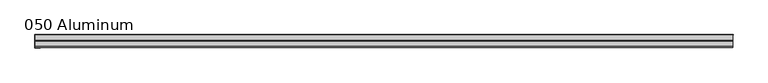
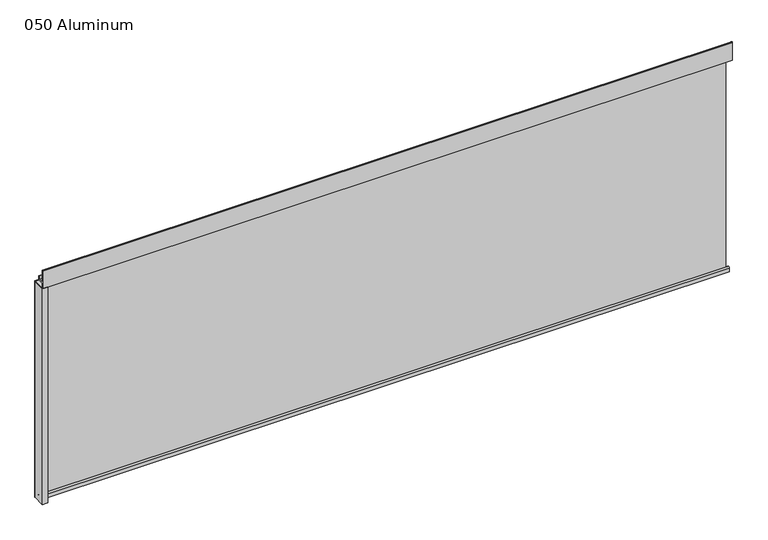
"""IFC4 building model written with IfcOpenShell, lengths in millimetres: plate geometry, 050 Aluminum."""

from ifc_helpers import new_model, si_unit, point, frame, frame_2d, origin, origin_with_axes, place, context, project, spatial, polyline, circle_curve, trimmed, segment, composite_curve, outline, extrude, source, transform, mapped, element, save


def plate_050_aluminum_85742d28(model_context):
    return source(origin(), model_context, "Body", "SweptSolid", [
        extrude(outline(polyline([(-919.48, 2.5660257), (-906.5894994, 2.5660257), (-906.5894994, 1.2699999), (-920.7499999, 1.2699999), (-920.7499999, 34.7980001), (-919.48, 34.7980001), (-919.48, 2.5660257)])), origin_with_axes(), (0.0, 0.0, 1.0), 608.33),
        extrude(outline(composite_curve([segment(trimmed(circle_curve(frame_2d((19.8514743, 13.124237)), 3.175), [point((16.6765477, 13.1458337))], [point((23.0264743, 13.124237))], False, "CARTESIAN"), True, "CONTINUOUS"), segment(polyline([(23.0264743, 13.124237), (23.0264743, 1.2693678), (34.7980002, 1.2693678), (34.7980002, 0.0), (21.7564743, 0.0), (21.7564743, 13.124237)]), True, "CONTINUOUS"), segment(trimmed(circle_curve(frame_2d((19.8514743, 13.124237)), 1.905), [point((21.7564743, 13.124237))], [point((17.9464915, 13.1323356))], True, "CARTESIAN"), True, "CONTINUOUS"), segment(polyline([(17.9464915, 13.1323356), (17.9464915, 2.786437), (16.6765477, 2.786437), (16.6765477, 13.1458337)]), True, "CONTINUOUS")], self_intersect=False)), frame((-919.48, 0.0, 0.0), z_axis=(1.0, 0.0, 0.0), x_axis=(0.0, 1.0, 0.0)), (0.0, 0.0, 1.0), 1838.96),
        extrude(outline(composite_curve([segment(trimmed(circle_curve(frame_2d((3.7084742, 656.7932001)), 1.6509999), [point((2.0574743, 656.7932001))], [point((5.3594742, 656.7932001))], False, "CARTESIAN"), True, "CONTINUOUS"), segment(polyline([(5.3594742, 656.7932001), (5.3594742, 623.57), (19.2164743, 623.57), (19.2164743, 633.6538), (20.4864742, 633.6538), (20.4864742, 622.3), (4.0894742, 622.3), (4.0894742, 656.7932001)]), True, "CONTINUOUS"), segment(trimmed(circle_curve(frame_2d((3.7084742, 656.7932001)), 0.3809999), [point((4.0894742, 656.7932001))], [point((3.3274743, 656.7932001))], True, "CARTESIAN"), True, "CONTINUOUS"), segment(polyline([(3.3274743, 656.7932001), (3.3274743, 609.6000001), (34.7980002, 609.6000001), (34.7980002, 608.33), (2.0574743, 608.33), (2.0574743, 656.7932001)]), True, "CONTINUOUS")], self_intersect=False)), frame((-919.48, 0.0, 0.0), z_axis=(1.0, 0.0, 0.0), x_axis=(0.0, 1.0, 0.0)), (0.0, 0.0, 1.0), 1838.96),
        extrude(outline(polyline([(-920.75, 36.068), (920.75, 36.068), (920.75, 34.7980001), (-920.75, 34.7980001), (-920.75, 36.068)])), origin_with_axes(), (0.0, 0.0, 1.0), 609.6),
    ])


if __name__ == "__main__":
    model = new_model("IFC4")
    model_context = context("Model", 3, world=origin())
    ifc_project = project(units=[si_unit("LENGTHUNIT", "METRE", prefix="MILLI")], contexts=[model_context])
    site = spatial("IfcSite", under=ifc_project)
    building = spatial("IfcBuilding", under=site)
    placement = place(None, origin())
    plate_050_aluminum_shape = plate_050_aluminum_85742d28(model_context)
    element("IfcPlate", 1, ObjectType="050 Aluminum", at=placement, inside=building, context=model_context, shape_type="MappedRepresentation", body=[
        mapped(plate_050_aluminum_shape, transform((0.0, 0.0, 0.0), x_axis=(1.0, 0.0, 0.0), y_axis=(0.0, 1.0, 0.0), z_axis=(0.0, 0.0, 1.0))),
    ])
    save(model, "model.ifc")
